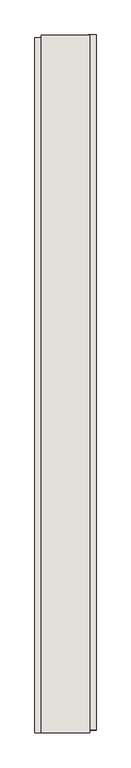
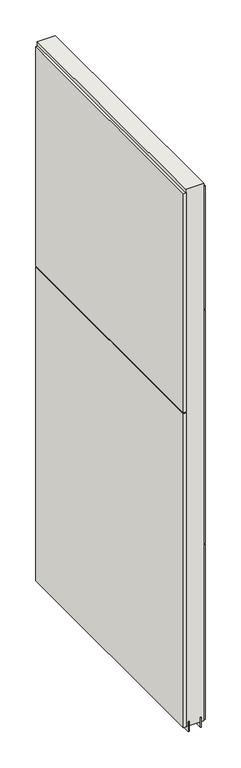
"""IFC4 building model written with IfcOpenShell, lengths in millimetres: wall geometry."""

from ifc_helpers import new_model, si_unit, frame, origin, place, context, project, spatial, polyline, outline, extrude, source, transform, mapped, element, save


def wall_e434f8cf(model_context):
    return source(origin(), model_context, "Body", "SweptSolid", [
        extrude(outline(polyline([(73283.482211, -39471.0307352), (73283.482211, -39473.5707352), (73280.942211, -39473.5707352), (73280.942211, -39471.0307352), (73283.482211, -39471.0307352)])), frame((0.0, 0.0, 4419.6), z_axis=(0.0, 0.0, 1.0), x_axis=(1.0, 0.0, 0.0)), (0.0, 0.0, 1.0), 2.54),
        extrude(outline(polyline([(73231.412211, -40630.8954208), (73231.412211, -39475.495598), (73244.112211, -39475.495598), (73244.112211, -40630.8954208), (73231.412211, -40630.8954208)])), frame((0.0, 0.0, 5945.599869), z_axis=(0.0, 0.0, 1.0), x_axis=(1.0, 0.0, 0.0)), (0.0, 0.0, 1.0), 1044.449905),
        extrude(outline(polyline([(73231.412211, -40630.8954208), (73231.412211, -39475.495598), (73244.112211, -39475.495598), (73244.112211, -40630.8954208), (73231.412211, -40630.8954208)])), frame((0.0, 0.0, 4445.0), z_axis=(0.0, 0.0, 1.0), x_axis=(1.0, 0.0, 0.0)), (0.0, 0.0, 1.0), 1496.600004),
        extrude(outline(polyline([(73333.012211, -39470.5656612), (73333.012211, -40625.965484), (73320.312211, -40625.965484), (73320.312211, -39470.5656612), (73333.012211, -39470.5656612)])), frame((0.0, 0.0, 6402.8000722), z_axis=(0.0, 0.0, 1.0), x_axis=(1.0, 0.0, 0.0)), (0.0, 0.0, 1.0), 587.2498034),
        extrude(outline(polyline([(73333.012211, -39470.5656612), (73333.012211, -40625.965484), (73320.312211, -40625.965484), (73320.312211, -39470.5656612), (73333.012211, -39470.5656612)])), frame((0.0, 0.0, 5285.2000722), z_axis=(0.0, 0.0, 1.0), x_axis=(1.0, 0.0, 0.0)), (0.0, 0.0, 1.0), 1113.5999572),
        extrude(outline(polyline([(73333.012211, -39470.5656612), (73333.012211, -40625.965484), (73320.312211, -40625.965484), (73320.312211, -39470.5656612), (73333.012211, -39470.5656612)])), frame((0.0, 0.0, 4445.0), z_axis=(0.0, 0.0, 1.0), x_axis=(1.0, 0.0, 0.0)), (0.0, 0.0, 1.0), 836.200004),
        extrude(outline(polyline([(73257.1284664, -39471.0418858), (73257.1284664, -40630.4253938), (73252.049711, -40630.4253938), (73252.049711, -39471.0418858), (73257.1284664, -39471.0418858)])), frame((0.0, 0.0, 4418.6602), z_axis=(0.0, 0.0, 1.0), x_axis=(1.0, 0.0, 0.0)), (0.0, 0.0, 1.0), 47.625),
        extrude(outline(polyline([(73257.1284664, -39471.0418858), (73257.1284664, -40630.4253938), (73252.049711, -40630.4253938), (73252.049711, -39471.0418858), (73257.1284664, -39471.0418858)])), frame((0.0, 0.0, 4418.6602), z_axis=(0.0, 0.0, 1.0), x_axis=(1.0, 0.0, 0.0)), (0.0, 0.0, 1.0), 47.625),
        extrude(outline(polyline([(73307.2959556, -40630.4253938), (73307.2959556, -39471.0418858), (73312.374711, -39471.0418858), (73312.374711, -40630.4253938), (73307.2959556, -40630.4253938)])), frame((0.0, 0.0, 4418.6602), z_axis=(0.0, 0.0, 1.0), x_axis=(1.0, 0.0, 0.0)), (0.0, 0.0, 1.0), 47.625),
        extrude(outline(polyline([(73307.2959556, -40630.4253938), (73307.2959556, -39471.0418858), (73312.374711, -39471.0418858), (73312.374711, -40630.4253938), (73307.2959556, -40630.4253938)])), frame((0.0, 0.0, 4418.6602), z_axis=(0.0, 0.0, 1.0), x_axis=(1.0, 0.0, 0.0)), (0.0, 0.0, 1.0), 47.625),
        extrude(outline(polyline([(73241.5573266, -39471.0418858), (73322.8670954, -39471.0418858), (73322.8670954, -40630.4253938), (73241.5573266, -40630.4253938), (73241.5573266, -39471.0418858)])), frame((0.0, 0.0, 4445.0), z_axis=(0.0, 0.0, 1.0), x_axis=(1.0, 0.0, 0.0)), (0.0, 0.0, 1.0), 2562.4536762),
    ])


if __name__ == "__main__":
    model = new_model("IFC4")
    model_context = context("Model", 3, world=origin())
    ifc_project = project(units=[si_unit("LENGTHUNIT", "METRE", prefix="MILLI")], contexts=[model_context])
    site = spatial("IfcSite", under=ifc_project)
    building = spatial("IfcBuilding", under=site)
    placement = place(None, origin())
    wall_shape = wall_e434f8cf(model_context)
    element("IfcWall", 1, at=placement, inside=building, context=model_context, shape_type="MappedRepresentation", body=[
        mapped(wall_shape, transform((0.0, 0.0, 0.0), x_axis=(1.0, 0.0, 0.0), y_axis=(0.0, 1.0, 0.0), z_axis=(0.0, 0.0, 1.0))),
    ])
    save(model, "model.ifc")
